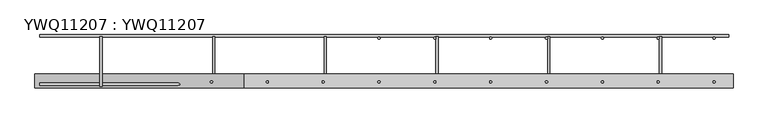
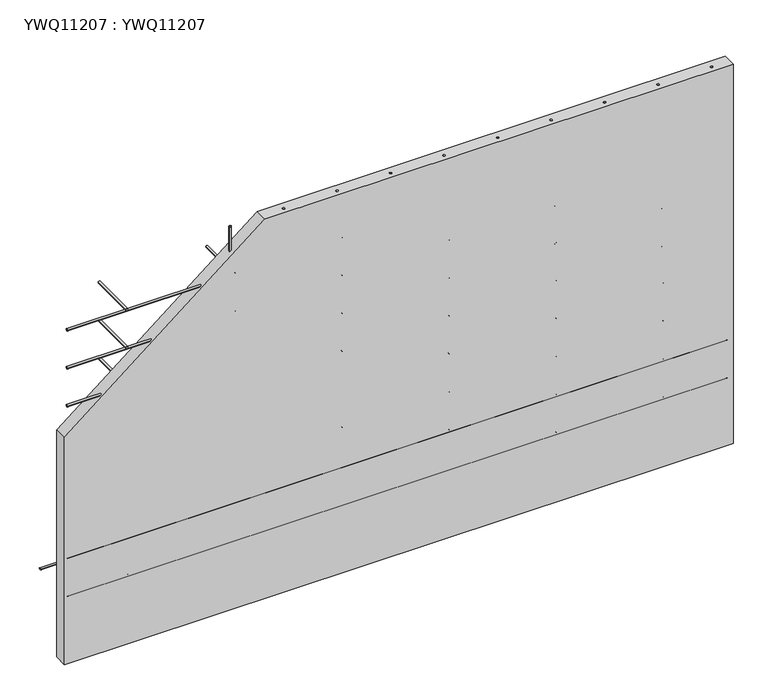
"""IFC4 building model written with IfcOpenShell, lengths in millimetres: proxy geometry, YWQ11207 : YWQ11207."""

from ifc_helpers import new_model, si_unit, point, frame, frame_2d, origin, place, context, project, spatial, polyline, circle_curve, trimmed, segment, composite_curve, outline, extrude, source, transform, mapped, element, save


def ywq11207_ywq11207_15e110d3(model_context):
    return source(origin(), model_context, "Body", "SweptSolid", [
        extrude(outline(composite_curve([segment(trimmed(circle_curve(frame_2d((1232.0, -21.340625)), 4.0), [point((1228.0, -21.340625))], [point((1236.0, -21.340625))], False, "CARTESIAN"), True, "CONTINUOUS"), segment(trimmed(circle_curve(frame_2d((1232.0, -21.340625)), 4.0), [point((1236.0, -21.340625))], [point((1228.0, -21.340625))], False, "CARTESIAN"), True, "CONTINUOUS")], self_intersect=False)), frame((0.0, 0.0, -185.0), z_axis=(0.0, 0.0, 1.0), x_axis=(1.0, 0.0, 0.0)), (0.0, 0.0, 1.0), 1370.0),
        extrude(outline(composite_curve([segment(trimmed(circle_curve(frame_2d((1432.0, -21.340625)), 4.0), [point((1428.0, -21.340625))], [point((1436.0, -21.340625))], False, "CARTESIAN"), True, "CONTINUOUS"), segment(trimmed(circle_curve(frame_2d((1432.0, -21.340625)), 4.0), [point((1436.0, -21.340625))], [point((1428.0, -21.340625))], False, "CARTESIAN"), True, "CONTINUOUS")], self_intersect=False)), frame((0.0, 0.0, -185.0), z_axis=(0.0, 0.0, 1.0), x_axis=(1.0, 0.0, 0.0)), (0.0, 0.0, 1.0), 1370.0),
        extrude(outline(composite_curve([segment(trimmed(circle_curve(frame_2d((1632.0, -21.340625)), 4.0), [point((1628.0, -21.340625))], [point((1636.0, -21.340625))], False, "CARTESIAN"), True, "CONTINUOUS"), segment(trimmed(circle_curve(frame_2d((1632.0, -21.340625)), 4.0), [point((1636.0, -21.340625))], [point((1628.0, -21.340625))], False, "CARTESIAN"), True, "CONTINUOUS")], self_intersect=False)), frame((0.0, 0.0, 3.9331136), z_axis=(0.0, 0.0, 1.0), x_axis=(1.0, 0.0, 0.0)), (0.0, 0.0, 1.0), 1181.0668864),
        extrude(outline(composite_curve([segment(trimmed(circle_curve(frame_2d((1832.0, -21.340625)), 4.0), [point((1828.0, -21.340625))], [point((1836.0, -21.340625))], False, "CARTESIAN"), True, "CONTINUOUS"), segment(trimmed(circle_curve(frame_2d((1832.0, -21.340625)), 4.0), [point((1836.0, -21.340625))], [point((1828.0, -21.340625))], False, "CARTESIAN"), True, "CONTINUOUS")], self_intersect=False)), frame((0.0, 0.0, 52.6677107), z_axis=(0.0, 0.0, 1.0), x_axis=(1.0, 0.0, 0.0)), (0.0, 0.0, 1.0), 1132.3322893),
        extrude(outline(composite_curve([segment(trimmed(circle_curve(frame_2d((2032.0, -21.340625)), 4.0), [point((2028.0, -21.340625))], [point((2036.0, -21.340625))], False, "CARTESIAN"), True, "CONTINUOUS"), segment(trimmed(circle_curve(frame_2d((2032.0, -21.340625)), 4.0), [point((2036.0, -21.340625))], [point((2028.0, -21.340625))], False, "CARTESIAN"), True, "CONTINUOUS")], self_intersect=False)), frame((0.0, 0.0, -185.0), z_axis=(0.0, 0.0, 1.0), x_axis=(1.0, 0.0, 0.0)), (0.0, 0.0, 1.0), 1370.0),
        extrude(outline(composite_curve([segment(trimmed(circle_curve(frame_2d((2232.0, -21.340625)), 4.0), [point((2228.0, -21.340625))], [point((2236.0, -21.340625))], False, "CARTESIAN"), True, "CONTINUOUS"), segment(trimmed(circle_curve(frame_2d((2232.0, -21.340625)), 4.0), [point((2236.0, -21.340625))], [point((2228.0, -21.340625))], False, "CARTESIAN"), True, "CONTINUOUS")], self_intersect=False)), frame((0.0, 0.0, -185.0), z_axis=(0.0, 0.0, 1.0), x_axis=(1.0, 0.0, 0.0)), (0.0, 0.0, 1.0), 1370.0),
        extrude(outline(composite_curve([segment(trimmed(circle_curve(frame_2d((2432.0, -21.340625)), 4.0), [point((2428.0, -21.340625))], [point((2436.0, -21.340625))], False, "CARTESIAN"), True, "CONTINUOUS"), segment(trimmed(circle_curve(frame_2d((2432.0, -21.340625)), 4.0), [point((2436.0, -21.340625))], [point((2428.0, -21.340625))], False, "CARTESIAN"), True, "CONTINUOUS")], self_intersect=False)), frame((0.0, 0.0, -185.0), z_axis=(0.0, 0.0, 1.0), x_axis=(1.0, 0.0, 0.0)), (0.0, 0.0, 1.0), 1370.0),
        extrude(outline(composite_curve([segment(trimmed(circle_curve(frame_2d((-13.3180289, 75.0)), 4.0), [point((-9.3180289, 75.0))], [point((-17.3180289, 75.0))], False, "CARTESIAN"), True, "CONTINUOUS"), segment(trimmed(circle_curve(frame_2d((-13.3180289, 75.0)), 4.0), [point((-17.3180289, 75.0))], [point((-9.3180289, 75.0))], False, "CARTESIAN"), True, "CONTINUOUS")], self_intersect=False)), frame((17.095785, 0.0, 0.0), z_axis=(1.0, 0.0, 0.0), x_axis=(0.0, 1.0, 0.0)), (0.0, 0.0, 1.0), 2467.904215),
        extrude(outline(composite_curve([segment(trimmed(circle_curve(frame_2d((1133.0436511, 236.993039)), 4.0), [point((1133.0436511, 232.993039))], [point((1133.0436511, 240.993039))], False, "CARTESIAN"), True, "CONTINUOUS"), segment(trimmed(circle_curve(frame_2d((1133.0436511, 236.993039)), 4.0), [point((1133.0436511, 240.993039))], [point((1133.0436511, 232.993039))], False, "CARTESIAN"), True, "CONTINUOUS")], self_intersect=False)), frame((0.0, -194.0716324, 0.0), z_axis=(0.0, 1.0, 0.0), x_axis=(0.0, 0.0, 1.0)), (0.0, 0.0, 1.0), 178.7626126),
        extrude(outline(composite_curve([segment(trimmed(circle_curve(frame_2d((1133.0436511, 639.993039)), 4.0), [point((1133.0436511, 635.993039))], [point((1133.0436511, 643.993039))], False, "CARTESIAN"), True, "CONTINUOUS"), segment(trimmed(circle_curve(frame_2d((1133.0436511, 639.993039)), 4.0), [point((1133.0436511, 643.993039))], [point((1133.0436511, 635.993039))], False, "CARTESIAN"), True, "CONTINUOUS")], self_intersect=False)), frame((0.0, -194.0716324, 0.0), z_axis=(0.0, 1.0, 0.0), x_axis=(0.0, 0.0, 1.0)), (0.0, 0.0, 1.0), 178.7626126),
        extrude(outline(composite_curve([segment(trimmed(circle_curve(frame_2d((1133.0436511, 1039.993039)), 4.0), [point((1133.0436511, 1035.993039))], [point((1133.0436511, 1043.993039))], False, "CARTESIAN"), True, "CONTINUOUS"), segment(trimmed(circle_curve(frame_2d((1133.0436511, 1039.993039)), 4.0), [point((1133.0436511, 1043.993039))], [point((1133.0436511, 1035.993039))], False, "CARTESIAN"), True, "CONTINUOUS")], self_intersect=False)), frame((0.0, -194.0716324, 0.0), z_axis=(0.0, 1.0, 0.0), x_axis=(0.0, 0.0, 1.0)), (0.0, 0.0, 1.0), 178.7626126),
        extrude(outline(composite_curve([segment(trimmed(circle_curve(frame_2d((1133.0436511, 1439.993039)), 4.0), [point((1133.0436511, 1435.993039))], [point((1133.0436511, 1443.993039))], False, "CARTESIAN"), True, "CONTINUOUS"), segment(trimmed(circle_curve(frame_2d((1133.0436511, 1439.993039)), 4.0), [point((1133.0436511, 1443.993039))], [point((1133.0436511, 1435.993039))], False, "CARTESIAN"), True, "CONTINUOUS")], self_intersect=False)), frame((0.0, -194.0716324, 0.0), z_axis=(0.0, 1.0, 0.0), x_axis=(0.0, 0.0, 1.0)), (0.0, 0.0, 1.0), 178.7626126),
        extrude(outline(composite_curve([segment(trimmed(circle_curve(frame_2d((1133.0436511, 1839.993039)), 4.0), [point((1133.0436511, 1835.993039))], [point((1133.0436511, 1843.993039))], False, "CARTESIAN"), True, "CONTINUOUS"), segment(trimmed(circle_curve(frame_2d((1133.0436511, 1839.993039)), 4.0), [point((1133.0436511, 1843.993039))], [point((1133.0436511, 1835.993039))], False, "CARTESIAN"), True, "CONTINUOUS")], self_intersect=False)), frame((0.0, -194.0716324, 0.0), z_axis=(0.0, 1.0, 0.0), x_axis=(0.0, 0.0, 1.0)), (0.0, 0.0, 1.0), 178.7626126),
        extrude(outline(composite_curve([segment(trimmed(circle_curve(frame_2d((1133.0436511, 2239.993039)), 4.0), [point((1133.0436511, 2235.993039))], [point((1133.0436511, 2243.993039))], False, "CARTESIAN"), True, "CONTINUOUS"), segment(trimmed(circle_curve(frame_2d((1133.0436511, 2239.993039)), 4.0), [point((1133.0436511, 2243.993039))], [point((1133.0436511, 2235.993039))], False, "CARTESIAN"), True, "CONTINUOUS")], self_intersect=False)), frame((0.0, -194.0716324, 0.0), z_axis=(0.0, 1.0, 0.0), x_axis=(0.0, 0.0, 1.0)), (0.0, 0.0, 1.0), 178.7626126),
        extrude(outline(composite_curve([segment(trimmed(circle_curve(frame_2d((-186.6819711, 1125.0)), 4.0), [point((-190.6819711, 1125.0))], [point((-182.6819711, 1125.0))], False, "CARTESIAN"), True, "CONTINUOUS"), segment(trimmed(circle_curve(frame_2d((-186.6819711, 1125.0)), 4.0), [point((-182.6819711, 1125.0))], [point((-190.6819711, 1125.0))], False, "CARTESIAN"), True, "CONTINUOUS")], self_intersect=False)), frame((17.095785, 0.0, 0.0), z_axis=(1.0, 0.0, 0.0), x_axis=(0.0, 1.0, 0.0)), (0.0, 0.0, 1.0), 2467.904215),
        extrude(outline(composite_curve([segment(trimmed(circle_curve(frame_2d((983.0436511, 236.993039)), 4.0), [point((983.0436511, 232.993039))], [point((983.0436511, 240.993039))], False, "CARTESIAN"), True, "CONTINUOUS"), segment(trimmed(circle_curve(frame_2d((983.0436511, 236.993039)), 4.0), [point((983.0436511, 240.993039))], [point((983.0436511, 232.993039))], False, "CARTESIAN"), True, "CONTINUOUS")], self_intersect=False)), frame((0.0, -194.0716324, 0.0), z_axis=(0.0, 1.0, 0.0), x_axis=(0.0, 0.0, 1.0)), (0.0, 0.0, 1.0), 178.7626126),
        extrude(outline(composite_curve([segment(trimmed(circle_curve(frame_2d((983.0436511, 639.993039)), 4.0), [point((983.0436511, 635.993039))], [point((983.0436511, 643.993039))], False, "CARTESIAN"), True, "CONTINUOUS"), segment(trimmed(circle_curve(frame_2d((983.0436511, 639.993039)), 4.0), [point((983.0436511, 643.993039))], [point((983.0436511, 635.993039))], False, "CARTESIAN"), True, "CONTINUOUS")], self_intersect=False)), frame((0.0, -194.0716324, 0.0), z_axis=(0.0, 1.0, 0.0), x_axis=(0.0, 0.0, 1.0)), (0.0, 0.0, 1.0), 178.7626126),
        extrude(outline(composite_curve([segment(trimmed(circle_curve(frame_2d((983.0436511, 1039.993039)), 4.0), [point((983.0436511, 1035.993039))], [point((983.0436511, 1043.993039))], False, "CARTESIAN"), True, "CONTINUOUS"), segment(trimmed(circle_curve(frame_2d((983.0436511, 1039.993039)), 4.0), [point((983.0436511, 1043.993039))], [point((983.0436511, 1035.993039))], False, "CARTESIAN"), True, "CONTINUOUS")], self_intersect=False)), frame((0.0, -194.0716324, 0.0), z_axis=(0.0, 1.0, 0.0), x_axis=(0.0, 0.0, 1.0)), (0.0, 0.0, 1.0), 178.7626126),
        extrude(outline(composite_curve([segment(trimmed(circle_curve(frame_2d((983.0436511, 1439.993039)), 4.0), [point((983.0436511, 1435.993039))], [point((983.0436511, 1443.993039))], False, "CARTESIAN"), True, "CONTINUOUS"), segment(trimmed(circle_curve(frame_2d((983.0436511, 1439.993039)), 4.0), [point((983.0436511, 1443.993039))], [point((983.0436511, 1435.993039))], False, "CARTESIAN"), True, "CONTINUOUS")], self_intersect=False)), frame((0.0, -194.0716324, 0.0), z_axis=(0.0, 1.0, 0.0), x_axis=(0.0, 0.0, 1.0)), (0.0, 0.0, 1.0), 178.7626126),
        extrude(outline(composite_curve([segment(trimmed(circle_curve(frame_2d((983.0436511, 1839.993039)), 4.0), [point((983.0436511, 1835.993039))], [point((983.0436511, 1843.993039))], False, "CARTESIAN"), True, "CONTINUOUS"), segment(trimmed(circle_curve(frame_2d((983.0436511, 1839.993039)), 4.0), [point((983.0436511, 1843.993039))], [point((983.0436511, 1835.993039))], False, "CARTESIAN"), True, "CONTINUOUS")], self_intersect=False)), frame((0.0, -194.0716324, 0.0), z_axis=(0.0, 1.0, 0.0), x_axis=(0.0, 0.0, 1.0)), (0.0, 0.0, 1.0), 178.7626126),
        extrude(outline(composite_curve([segment(trimmed(circle_curve(frame_2d((983.0436511, 2239.993039)), 4.0), [point((983.0436511, 2235.993039))], [point((983.0436511, 2243.993039))], False, "CARTESIAN"), True, "CONTINUOUS"), segment(trimmed(circle_curve(frame_2d((983.0436511, 2239.993039)), 4.0), [point((983.0436511, 2243.993039))], [point((983.0436511, 2235.993039))], False, "CARTESIAN"), True, "CONTINUOUS")], self_intersect=False)), frame((0.0, -194.0716324, 0.0), z_axis=(0.0, 1.0, 0.0), x_axis=(0.0, 0.0, 1.0)), (0.0, 0.0, 1.0), 178.7626126),
        extrude(outline(composite_curve([segment(trimmed(circle_curve(frame_2d((-186.6819711, 975.0)), 4.0), [point((-190.6819711, 975.0))], [point((-182.6819711, 975.0))], False, "CARTESIAN"), True, "CONTINUOUS"), segment(trimmed(circle_curve(frame_2d((-186.6819711, 975.0)), 4.0), [point((-182.6819711, 975.0))], [point((-190.6819711, 975.0))], False, "CARTESIAN"), True, "CONTINUOUS")], self_intersect=False)), frame((17.095785, 0.0, 0.0), z_axis=(1.0, 0.0, 0.0), x_axis=(0.0, 1.0, 0.0)), (0.0, 0.0, 1.0), 2467.904215),
        extrude(outline(composite_curve([segment(trimmed(circle_curve(frame_2d((833.0436511, 236.993039)), 4.0), [point((833.0436511, 232.993039))], [point((833.0436511, 240.993039))], False, "CARTESIAN"), True, "CONTINUOUS"), segment(trimmed(circle_curve(frame_2d((833.0436511, 236.993039)), 4.0), [point((833.0436511, 240.993039))], [point((833.0436511, 232.993039))], False, "CARTESIAN"), True, "CONTINUOUS")], self_intersect=False)), frame((0.0, -194.0716324, 0.0), z_axis=(0.0, 1.0, 0.0), x_axis=(0.0, 0.0, 1.0)), (0.0, 0.0, 1.0), 178.7626126),
        extrude(outline(composite_curve([segment(trimmed(circle_curve(frame_2d((833.0436511, 639.993039)), 4.0), [point((833.0436511, 635.993039))], [point((833.0436511, 643.993039))], False, "CARTESIAN"), True, "CONTINUOUS"), segment(trimmed(circle_curve(frame_2d((833.0436511, 639.993039)), 4.0), [point((833.0436511, 643.993039))], [point((833.0436511, 635.993039))], False, "CARTESIAN"), True, "CONTINUOUS")], self_intersect=False)), frame((0.0, -194.0716324, 0.0), z_axis=(0.0, 1.0, 0.0), x_axis=(0.0, 0.0, 1.0)), (0.0, 0.0, 1.0), 178.7626126),
        extrude(outline(composite_curve([segment(trimmed(circle_curve(frame_2d((833.0436511, 1039.993039)), 4.0), [point((833.0436511, 1035.993039))], [point((833.0436511, 1043.993039))], False, "CARTESIAN"), True, "CONTINUOUS"), segment(trimmed(circle_curve(frame_2d((833.0436511, 1039.993039)), 4.0), [point((833.0436511, 1043.993039))], [point((833.0436511, 1035.993039))], False, "CARTESIAN"), True, "CONTINUOUS")], self_intersect=False)), frame((0.0, -194.0716324, 0.0), z_axis=(0.0, 1.0, 0.0), x_axis=(0.0, 0.0, 1.0)), (0.0, 0.0, 1.0), 178.7626126),
        extrude(outline(composite_curve([segment(trimmed(circle_curve(frame_2d((833.0436511, 1439.993039)), 4.0), [point((833.0436511, 1435.993039))], [point((833.0436511, 1443.993039))], False, "CARTESIAN"), True, "CONTINUOUS"), segment(trimmed(circle_curve(frame_2d((833.0436511, 1439.993039)), 4.0), [point((833.0436511, 1443.993039))], [point((833.0436511, 1435.993039))], False, "CARTESIAN"), True, "CONTINUOUS")], self_intersect=False)), frame((0.0, -194.0716324, 0.0), z_axis=(0.0, 1.0, 0.0), x_axis=(0.0, 0.0, 1.0)), (0.0, 0.0, 1.0), 178.7626126),
        extrude(outline(composite_curve([segment(trimmed(circle_curve(frame_2d((833.0436511, 1839.993039)), 4.0), [point((833.0436511, 1835.993039))], [point((833.0436511, 1843.993039))], False, "CARTESIAN"), True, "CONTINUOUS"), segment(trimmed(circle_curve(frame_2d((833.0436511, 1839.993039)), 4.0), [point((833.0436511, 1843.993039))], [point((833.0436511, 1835.993039))], False, "CARTESIAN"), True, "CONTINUOUS")], self_intersect=False)), frame((0.0, -194.0716324, 0.0), z_axis=(0.0, 1.0, 0.0), x_axis=(0.0, 0.0, 1.0)), (0.0, 0.0, 1.0), 178.7626126),
        extrude(outline(composite_curve([segment(trimmed(circle_curve(frame_2d((833.0436511, 2239.993039)), 4.0), [point((833.0436511, 2235.993039))], [point((833.0436511, 2243.993039))], False, "CARTESIAN"), True, "CONTINUOUS"), segment(trimmed(circle_curve(frame_2d((833.0436511, 2239.993039)), 4.0), [point((833.0436511, 2243.993039))], [point((833.0436511, 2235.993039))], False, "CARTESIAN"), True, "CONTINUOUS")], self_intersect=False)), frame((0.0, -194.0716324, 0.0), z_axis=(0.0, 1.0, 0.0), x_axis=(0.0, 0.0, 1.0)), (0.0, 0.0, 1.0), 178.7626126),
        extrude(outline(composite_curve([segment(trimmed(circle_curve(frame_2d((-186.6819711, 825.0)), 4.0), [point((-190.6819711, 825.0))], [point((-182.6819711, 825.0))], False, "CARTESIAN"), True, "CONTINUOUS"), segment(trimmed(circle_curve(frame_2d((-186.6819711, 825.0)), 4.0), [point((-182.6819711, 825.0))], [point((-190.6819711, 825.0))], False, "CARTESIAN"), True, "CONTINUOUS")], self_intersect=False)), frame((17.095785, 0.0, 0.0), z_axis=(1.0, 0.0, 0.0), x_axis=(0.0, 1.0, 0.0)), (0.0, 0.0, 1.0), 2467.904215),
        extrude(outline(composite_curve([segment(trimmed(circle_curve(frame_2d((683.0436511, 236.993039)), 4.0), [point((683.0436511, 232.993039))], [point((683.0436511, 240.993039))], False, "CARTESIAN"), True, "CONTINUOUS"), segment(trimmed(circle_curve(frame_2d((683.0436511, 236.993039)), 4.0), [point((683.0436511, 240.993039))], [point((683.0436511, 232.993039))], False, "CARTESIAN"), True, "CONTINUOUS")], self_intersect=False)), frame((0.0, -194.0716324, 0.0), z_axis=(0.0, 1.0, 0.0), x_axis=(0.0, 0.0, 1.0)), (0.0, 0.0, 1.0), 178.7626126),
        extrude(outline(composite_curve([segment(trimmed(circle_curve(frame_2d((683.0436511, 639.993039)), 4.0), [point((683.0436511, 635.993039))], [point((683.0436511, 643.993039))], False, "CARTESIAN"), True, "CONTINUOUS"), segment(trimmed(circle_curve(frame_2d((683.0436511, 639.993039)), 4.0), [point((683.0436511, 643.993039))], [point((683.0436511, 635.993039))], False, "CARTESIAN"), True, "CONTINUOUS")], self_intersect=False)), frame((0.0, -194.0716324, 0.0), z_axis=(0.0, 1.0, 0.0), x_axis=(0.0, 0.0, 1.0)), (0.0, 0.0, 1.0), 178.7626126),
        extrude(outline(composite_curve([segment(trimmed(circle_curve(frame_2d((683.0436511, 1039.993039)), 4.0), [point((683.0436511, 1035.993039))], [point((683.0436511, 1043.993039))], False, "CARTESIAN"), True, "CONTINUOUS"), segment(trimmed(circle_curve(frame_2d((683.0436511, 1039.993039)), 4.0), [point((683.0436511, 1043.993039))], [point((683.0436511, 1035.993039))], False, "CARTESIAN"), True, "CONTINUOUS")], self_intersect=False)), frame((0.0, -194.0716324, 0.0), z_axis=(0.0, 1.0, 0.0), x_axis=(0.0, 0.0, 1.0)), (0.0, 0.0, 1.0), 178.7626126),
        extrude(outline(composite_curve([segment(trimmed(circle_curve(frame_2d((683.0436511, 1439.993039)), 4.0), [point((683.0436511, 1435.993039))], [point((683.0436511, 1443.993039))], False, "CARTESIAN"), True, "CONTINUOUS"), segment(trimmed(circle_curve(frame_2d((683.0436511, 1439.993039)), 4.0), [point((683.0436511, 1443.993039))], [point((683.0436511, 1435.993039))], False, "CARTESIAN"), True, "CONTINUOUS")], self_intersect=False)), frame((0.0, -194.0716324, 0.0), z_axis=(0.0, 1.0, 0.0), x_axis=(0.0, 0.0, 1.0)), (0.0, 0.0, 1.0), 178.7626126),
        extrude(outline(composite_curve([segment(trimmed(circle_curve(frame_2d((683.0436511, 1839.993039)), 4.0), [point((683.0436511, 1835.993039))], [point((683.0436511, 1843.993039))], False, "CARTESIAN"), True, "CONTINUOUS"), segment(trimmed(circle_curve(frame_2d((683.0436511, 1839.993039)), 4.0), [point((683.0436511, 1843.993039))], [point((683.0436511, 1835.993039))], False, "CARTESIAN"), True, "CONTINUOUS")], self_intersect=False)), frame((0.0, -194.0716324, 0.0), z_axis=(0.0, 1.0, 0.0), x_axis=(0.0, 0.0, 1.0)), (0.0, 0.0, 1.0), 178.7626126),
        extrude(outline(composite_curve([segment(trimmed(circle_curve(frame_2d((683.0436511, 2239.993039)), 4.0), [point((683.0436511, 2235.993039))], [point((683.0436511, 2243.993039))], False, "CARTESIAN"), True, "CONTINUOUS"), segment(trimmed(circle_curve(frame_2d((683.0436511, 2239.993039)), 4.0), [point((683.0436511, 2243.993039))], [point((683.0436511, 2235.993039))], False, "CARTESIAN"), True, "CONTINUOUS")], self_intersect=False)), frame((0.0, -194.0716324, 0.0), z_axis=(0.0, 1.0, 0.0), x_axis=(0.0, 0.0, 1.0)), (0.0, 0.0, 1.0), 178.7626126),
        extrude(outline(composite_curve([segment(trimmed(circle_curve(frame_2d((-186.6819711, 675.0)), 4.0), [point((-190.6819711, 675.0))], [point((-182.6819711, 675.0))], False, "CARTESIAN"), True, "CONTINUOUS"), segment(trimmed(circle_curve(frame_2d((-186.6819711, 675.0)), 4.0), [point((-182.6819711, 675.0))], [point((-190.6819711, 675.0))], False, "CARTESIAN"), True, "CONTINUOUS")], self_intersect=False)), frame((17.095785, 0.0, 0.0), z_axis=(1.0, 0.0, 0.0), x_axis=(0.0, 1.0, 0.0)), (0.0, 0.0, 1.0), 2467.904215),
        extrude(outline(composite_curve([segment(trimmed(circle_curve(frame_2d((533.0436511, 236.993039)), 4.0), [point((533.0436511, 232.993039))], [point((533.0436511, 240.993039))], False, "CARTESIAN"), True, "CONTINUOUS"), segment(trimmed(circle_curve(frame_2d((533.0436511, 236.993039)), 4.0), [point((533.0436511, 240.993039))], [point((533.0436511, 232.993039))], False, "CARTESIAN"), True, "CONTINUOUS")], self_intersect=False)), frame((0.0, -194.0716324, 0.0), z_axis=(0.0, 1.0, 0.0), x_axis=(0.0, 0.0, 1.0)), (0.0, 0.0, 1.0), 178.7626126),
        extrude(outline(composite_curve([segment(trimmed(circle_curve(frame_2d((533.0436511, 639.993039)), 4.0), [point((533.0436511, 635.993039))], [point((533.0436511, 643.993039))], False, "CARTESIAN"), True, "CONTINUOUS"), segment(trimmed(circle_curve(frame_2d((533.0436511, 639.993039)), 4.0), [point((533.0436511, 643.993039))], [point((533.0436511, 635.993039))], False, "CARTESIAN"), True, "CONTINUOUS")], self_intersect=False)), frame((0.0, -194.0716324, 0.0), z_axis=(0.0, 1.0, 0.0), x_axis=(0.0, 0.0, 1.0)), (0.0, 0.0, 1.0), 178.7626126),
        extrude(outline(composite_curve([segment(trimmed(circle_curve(frame_2d((533.0436511, 1039.993039)), 4.0), [point((533.0436511, 1035.993039))], [point((533.0436511, 1043.993039))], False, "CARTESIAN"), True, "CONTINUOUS"), segment(trimmed(circle_curve(frame_2d((533.0436511, 1039.993039)), 4.0), [point((533.0436511, 1043.993039))], [point((533.0436511, 1035.993039))], False, "CARTESIAN"), True, "CONTINUOUS")], self_intersect=False)), frame((0.0, -194.0716324, 0.0), z_axis=(0.0, 1.0, 0.0), x_axis=(0.0, 0.0, 1.0)), (0.0, 0.0, 1.0), 178.7626126),
        extrude(outline(composite_curve([segment(trimmed(circle_curve(frame_2d((533.0436511, 1439.993039)), 4.0), [point((533.0436511, 1435.993039))], [point((533.0436511, 1443.993039))], False, "CARTESIAN"), True, "CONTINUOUS"), segment(trimmed(circle_curve(frame_2d((533.0436511, 1439.993039)), 4.0), [point((533.0436511, 1443.993039))], [point((533.0436511, 1435.993039))], False, "CARTESIAN"), True, "CONTINUOUS")], self_intersect=False)), frame((0.0, -194.0716324, 0.0), z_axis=(0.0, 1.0, 0.0), x_axis=(0.0, 0.0, 1.0)), (0.0, 0.0, 1.0), 178.7626126),
        extrude(outline(composite_curve([segment(trimmed(circle_curve(frame_2d((533.0436511, 1839.993039)), 4.0), [point((533.0436511, 1835.993039))], [point((533.0436511, 1843.993039))], False, "CARTESIAN"), True, "CONTINUOUS"), segment(trimmed(circle_curve(frame_2d((533.0436511, 1839.993039)), 4.0), [point((533.0436511, 1843.993039))], [point((533.0436511, 1835.993039))], False, "CARTESIAN"), True, "CONTINUOUS")], self_intersect=False)), frame((0.0, -194.0716324, 0.0), z_axis=(0.0, 1.0, 0.0), x_axis=(0.0, 0.0, 1.0)), (0.0, 0.0, 1.0), 178.7626126),
        extrude(outline(composite_curve([segment(trimmed(circle_curve(frame_2d((533.0436511, 2239.993039)), 4.0), [point((533.0436511, 2235.993039))], [point((533.0436511, 2243.993039))], False, "CARTESIAN"), True, "CONTINUOUS"), segment(trimmed(circle_curve(frame_2d((533.0436511, 2239.993039)), 4.0), [point((533.0436511, 2243.993039))], [point((533.0436511, 2235.993039))], False, "CARTESIAN"), True, "CONTINUOUS")], self_intersect=False)), frame((0.0, -194.0716324, 0.0), z_axis=(0.0, 1.0, 0.0), x_axis=(0.0, 0.0, 1.0)), (0.0, 0.0, 1.0), 178.7626126),
        extrude(outline(composite_curve([segment(trimmed(circle_curve(frame_2d((-186.6819711, 525.0)), 4.0), [point((-190.6819711, 525.0))], [point((-182.6819711, 525.0))], False, "CARTESIAN"), True, "CONTINUOUS"), segment(trimmed(circle_curve(frame_2d((-186.6819711, 525.0)), 4.0), [point((-182.6819711, 525.0))], [point((-190.6819711, 525.0))], False, "CARTESIAN"), True, "CONTINUOUS")], self_intersect=False)), frame((17.095785, 0.0, 0.0), z_axis=(1.0, 0.0, 0.0), x_axis=(0.0, 1.0, 0.0)), (0.0, 0.0, 1.0), 2467.904215),
        extrude(outline(composite_curve([segment(trimmed(circle_curve(frame_2d((383.0436511, 236.993039)), 4.0), [point((383.0436511, 232.993039))], [point((383.0436511, 240.993039))], False, "CARTESIAN"), True, "CONTINUOUS"), segment(trimmed(circle_curve(frame_2d((383.0436511, 236.993039)), 4.0), [point((383.0436511, 240.993039))], [point((383.0436511, 232.993039))], False, "CARTESIAN"), True, "CONTINUOUS")], self_intersect=False)), frame((0.0, -194.0716324, 0.0), z_axis=(0.0, 1.0, 0.0), x_axis=(0.0, 0.0, 1.0)), (0.0, 0.0, 1.0), 178.7626126),
        extrude(outline(composite_curve([segment(trimmed(circle_curve(frame_2d((383.0436511, 639.993039)), 4.0), [point((383.0436511, 635.993039))], [point((383.0436511, 643.993039))], False, "CARTESIAN"), True, "CONTINUOUS"), segment(trimmed(circle_curve(frame_2d((383.0436511, 639.993039)), 4.0), [point((383.0436511, 643.993039))], [point((383.0436511, 635.993039))], False, "CARTESIAN"), True, "CONTINUOUS")], self_intersect=False)), frame((0.0, -194.0716324, 0.0), z_axis=(0.0, 1.0, 0.0), x_axis=(0.0, 0.0, 1.0)), (0.0, 0.0, 1.0), 178.7626126),
        extrude(outline(composite_curve([segment(trimmed(circle_curve(frame_2d((383.0436511, 1039.993039)), 4.0), [point((383.0436511, 1035.993039))], [point((383.0436511, 1043.993039))], False, "CARTESIAN"), True, "CONTINUOUS"), segment(trimmed(circle_curve(frame_2d((383.0436511, 1039.993039)), 4.0), [point((383.0436511, 1043.993039))], [point((383.0436511, 1035.993039))], False, "CARTESIAN"), True, "CONTINUOUS")], self_intersect=False)), frame((0.0, -194.0716324, 0.0), z_axis=(0.0, 1.0, 0.0), x_axis=(0.0, 0.0, 1.0)), (0.0, 0.0, 1.0), 178.7626126),
        extrude(outline(composite_curve([segment(trimmed(circle_curve(frame_2d((383.0436511, 1439.993039)), 4.0), [point((383.0436511, 1435.993039))], [point((383.0436511, 1443.993039))], False, "CARTESIAN"), True, "CONTINUOUS"), segment(trimmed(circle_curve(frame_2d((383.0436511, 1439.993039)), 4.0), [point((383.0436511, 1443.993039))], [point((383.0436511, 1435.993039))], False, "CARTESIAN"), True, "CONTINUOUS")], self_intersect=False)), frame((0.0, -194.0716324, 0.0), z_axis=(0.0, 1.0, 0.0), x_axis=(0.0, 0.0, 1.0)), (0.0, 0.0, 1.0), 178.7626126),
        extrude(outline(composite_curve([segment(trimmed(circle_curve(frame_2d((383.0436511, 1839.993039)), 4.0), [point((383.0436511, 1835.993039))], [point((383.0436511, 1843.993039))], False, "CARTESIAN"), True, "CONTINUOUS"), segment(trimmed(circle_curve(frame_2d((383.0436511, 1839.993039)), 4.0), [point((383.0436511, 1843.993039))], [point((383.0436511, 1835.993039))], False, "CARTESIAN"), True, "CONTINUOUS")], self_intersect=False)), frame((0.0, -194.0716324, 0.0), z_axis=(0.0, 1.0, 0.0), x_axis=(0.0, 0.0, 1.0)), (0.0, 0.0, 1.0), 178.7626126),
        extrude(outline(composite_curve([segment(trimmed(circle_curve(frame_2d((383.0436511, 2239.993039)), 4.0), [point((383.0436511, 2235.993039))], [point((383.0436511, 2243.993039))], False, "CARTESIAN"), True, "CONTINUOUS"), segment(trimmed(circle_curve(frame_2d((383.0436511, 2239.993039)), 4.0), [point((383.0436511, 2243.993039))], [point((383.0436511, 2235.993039))], False, "CARTESIAN"), True, "CONTINUOUS")], self_intersect=False)), frame((0.0, -194.0716324, 0.0), z_axis=(0.0, 1.0, 0.0), x_axis=(0.0, 0.0, 1.0)), (0.0, 0.0, 1.0), 178.7626126),
        extrude(outline(composite_curve([segment(trimmed(circle_curve(frame_2d((-186.6819711, 375.0)), 4.0), [point((-190.6819711, 375.0))], [point((-182.6819711, 375.0))], False, "CARTESIAN"), True, "CONTINUOUS"), segment(trimmed(circle_curve(frame_2d((-186.6819711, 375.0)), 4.0), [point((-182.6819711, 375.0))], [point((-190.6819711, 375.0))], False, "CARTESIAN"), True, "CONTINUOUS")], self_intersect=False)), frame((17.095785, 0.0, 0.0), z_axis=(1.0, 0.0, 0.0), x_axis=(0.0, 1.0, 0.0)), (0.0, 0.0, 1.0), 2467.904215),
        extrude(outline(composite_curve([segment(trimmed(circle_curve(frame_2d((233.0436511, 236.993039)), 4.0), [point((233.0436511, 232.993039))], [point((233.0436511, 240.993039))], False, "CARTESIAN"), True, "CONTINUOUS"), segment(trimmed(circle_curve(frame_2d((233.0436511, 236.993039)), 4.0), [point((233.0436511, 240.993039))], [point((233.0436511, 232.993039))], False, "CARTESIAN"), True, "CONTINUOUS")], self_intersect=False)), frame((0.0, -194.0716324, 0.0), z_axis=(0.0, 1.0, 0.0), x_axis=(0.0, 0.0, 1.0)), (0.0, 0.0, 1.0), 178.7626126),
        extrude(outline(composite_curve([segment(trimmed(circle_curve(frame_2d((233.0436511, 639.993039)), 4.0), [point((233.0436511, 635.993039))], [point((233.0436511, 643.993039))], False, "CARTESIAN"), True, "CONTINUOUS"), segment(trimmed(circle_curve(frame_2d((233.0436511, 639.993039)), 4.0), [point((233.0436511, 643.993039))], [point((233.0436511, 635.993039))], False, "CARTESIAN"), True, "CONTINUOUS")], self_intersect=False)), frame((0.0, -194.0716324, 0.0), z_axis=(0.0, 1.0, 0.0), x_axis=(0.0, 0.0, 1.0)), (0.0, 0.0, 1.0), 178.7626126),
        extrude(outline(composite_curve([segment(trimmed(circle_curve(frame_2d((233.0436511, 1039.993039)), 4.0), [point((233.0436511, 1035.993039))], [point((233.0436511, 1043.993039))], False, "CARTESIAN"), True, "CONTINUOUS"), segment(trimmed(circle_curve(frame_2d((233.0436511, 1039.993039)), 4.0), [point((233.0436511, 1043.993039))], [point((233.0436511, 1035.993039))], False, "CARTESIAN"), True, "CONTINUOUS")], self_intersect=False)), frame((0.0, -194.0716324, 0.0), z_axis=(0.0, 1.0, 0.0), x_axis=(0.0, 0.0, 1.0)), (0.0, 0.0, 1.0), 178.7626126),
        extrude(outline(composite_curve([segment(trimmed(circle_curve(frame_2d((233.0436511, 1439.993039)), 4.0), [point((233.0436511, 1435.993039))], [point((233.0436511, 1443.993039))], False, "CARTESIAN"), True, "CONTINUOUS"), segment(trimmed(circle_curve(frame_2d((233.0436511, 1439.993039)), 4.0), [point((233.0436511, 1443.993039))], [point((233.0436511, 1435.993039))], False, "CARTESIAN"), True, "CONTINUOUS")], self_intersect=False)), frame((0.0, -194.0716324, 0.0), z_axis=(0.0, 1.0, 0.0), x_axis=(0.0, 0.0, 1.0)), (0.0, 0.0, 1.0), 178.7626126),
        extrude(outline(composite_curve([segment(trimmed(circle_curve(frame_2d((233.0436511, 1839.993039)), 4.0), [point((233.0436511, 1835.993039))], [point((233.0436511, 1843.993039))], False, "CARTESIAN"), True, "CONTINUOUS"), segment(trimmed(circle_curve(frame_2d((233.0436511, 1839.993039)), 4.0), [point((233.0436511, 1843.993039))], [point((233.0436511, 1835.993039))], False, "CARTESIAN"), True, "CONTINUOUS")], self_intersect=False)), frame((0.0, -194.0716324, 0.0), z_axis=(0.0, 1.0, 0.0), x_axis=(0.0, 0.0, 1.0)), (0.0, 0.0, 1.0), 178.7626126),
        extrude(outline(composite_curve([segment(trimmed(circle_curve(frame_2d((233.0436511, 2239.993039)), 4.0), [point((233.0436511, 2235.993039))], [point((233.0436511, 2243.993039))], False, "CARTESIAN"), True, "CONTINUOUS"), segment(trimmed(circle_curve(frame_2d((233.0436511, 2239.993039)), 4.0), [point((233.0436511, 2243.993039))], [point((233.0436511, 2235.993039))], False, "CARTESIAN"), True, "CONTINUOUS")], self_intersect=False)), frame((0.0, -194.0716324, 0.0), z_axis=(0.0, 1.0, 0.0), x_axis=(0.0, 0.0, 1.0)), (0.0, 0.0, 1.0), 178.7626126),
        extrude(outline(composite_curve([segment(trimmed(circle_curve(frame_2d((-186.6819711, 225.0)), 4.0), [point((-190.6819711, 225.0))], [point((-182.6819711, 225.0))], False, "CARTESIAN"), True, "CONTINUOUS"), segment(trimmed(circle_curve(frame_2d((-186.6819711, 225.0)), 4.0), [point((-182.6819711, 225.0))], [point((-190.6819711, 225.0))], False, "CARTESIAN"), True, "CONTINUOUS")], self_intersect=False)), frame((17.095785, 0.0, 0.0), z_axis=(1.0, 0.0, 0.0), x_axis=(0.0, 1.0, 0.0)), (0.0, 0.0, 1.0), 2467.904215),
        extrude(outline(composite_curve([segment(trimmed(circle_curve(frame_2d((83.0436511, 236.993039)), 4.0), [point((83.0436511, 232.993039))], [point((83.0436511, 240.993039))], False, "CARTESIAN"), True, "CONTINUOUS"), segment(trimmed(circle_curve(frame_2d((83.0436511, 236.993039)), 4.0), [point((83.0436511, 240.993039))], [point((83.0436511, 232.993039))], False, "CARTESIAN"), True, "CONTINUOUS")], self_intersect=False)), frame((0.0, -194.0716324, 0.0), z_axis=(0.0, 1.0, 0.0), x_axis=(0.0, 0.0, 1.0)), (0.0, 0.0, 1.0), 178.7626126),
        extrude(outline(composite_curve([segment(trimmed(circle_curve(frame_2d((83.0436511, 639.993039)), 4.0), [point((83.0436511, 635.993039))], [point((83.0436511, 643.993039))], False, "CARTESIAN"), True, "CONTINUOUS"), segment(trimmed(circle_curve(frame_2d((83.0436511, 639.993039)), 4.0), [point((83.0436511, 643.993039))], [point((83.0436511, 635.993039))], False, "CARTESIAN"), True, "CONTINUOUS")], self_intersect=False)), frame((0.0, -194.0716324, 0.0), z_axis=(0.0, 1.0, 0.0), x_axis=(0.0, 0.0, 1.0)), (0.0, 0.0, 1.0), 178.7626126),
        extrude(outline(composite_curve([segment(trimmed(circle_curve(frame_2d((83.0436511, 1039.993039)), 4.0), [point((83.0436511, 1035.993039))], [point((83.0436511, 1043.993039))], False, "CARTESIAN"), True, "CONTINUOUS"), segment(trimmed(circle_curve(frame_2d((83.0436511, 1039.993039)), 4.0), [point((83.0436511, 1043.993039))], [point((83.0436511, 1035.993039))], False, "CARTESIAN"), True, "CONTINUOUS")], self_intersect=False)), frame((0.0, -194.0716324, 0.0), z_axis=(0.0, 1.0, 0.0), x_axis=(0.0, 0.0, 1.0)), (0.0, 0.0, 1.0), 178.7626126),
        extrude(outline(composite_curve([segment(trimmed(circle_curve(frame_2d((83.0436511, 1439.993039)), 4.0), [point((83.0436511, 1435.993039))], [point((83.0436511, 1443.993039))], False, "CARTESIAN"), True, "CONTINUOUS"), segment(trimmed(circle_curve(frame_2d((83.0436511, 1439.993039)), 4.0), [point((83.0436511, 1443.993039))], [point((83.0436511, 1435.993039))], False, "CARTESIAN"), True, "CONTINUOUS")], self_intersect=False)), frame((0.0, -194.0716324, 0.0), z_axis=(0.0, 1.0, 0.0), x_axis=(0.0, 0.0, 1.0)), (0.0, 0.0, 1.0), 178.7626126),
        extrude(outline(composite_curve([segment(trimmed(circle_curve(frame_2d((83.0436511, 1839.993039)), 4.0), [point((83.0436511, 1835.993039))], [point((83.0436511, 1843.993039))], False, "CARTESIAN"), True, "CONTINUOUS"), segment(trimmed(circle_curve(frame_2d((83.0436511, 1839.993039)), 4.0), [point((83.0436511, 1843.993039))], [point((83.0436511, 1835.993039))], False, "CARTESIAN"), True, "CONTINUOUS")], self_intersect=False)), frame((0.0, -194.0716324, 0.0), z_axis=(0.0, 1.0, 0.0), x_axis=(0.0, 0.0, 1.0)), (0.0, 0.0, 1.0), 178.7626126),
        extrude(outline(composite_curve([segment(trimmed(circle_curve(frame_2d((83.0436511, 2239.993039)), 4.0), [point((83.0436511, 2235.993039))], [point((83.0436511, 2243.993039))], False, "CARTESIAN"), True, "CONTINUOUS"), segment(trimmed(circle_curve(frame_2d((83.0436511, 2239.993039)), 4.0), [point((83.0436511, 2243.993039))], [point((83.0436511, 2235.993039))], False, "CARTESIAN"), True, "CONTINUOUS")], self_intersect=False)), frame((0.0, -194.0716324, 0.0), z_axis=(0.0, 1.0, 0.0), x_axis=(0.0, 0.0, 1.0)), (0.0, 0.0, 1.0), 178.7626126),
        extrude(outline(composite_curve([segment(trimmed(circle_curve(frame_2d((632.0, -178.659375)), 4.0), [point((628.0, -178.659375))], [point((636.0, -178.659375))], False, "CARTESIAN"), True, "CONTINUOUS"), segment(trimmed(circle_curve(frame_2d((632.0, -178.659375)), 4.0), [point((636.0, -178.659375))], [point((628.0, -178.659375))], False, "CARTESIAN"), True, "CONTINUOUS")], self_intersect=False)), frame((0.0, 0.0, -185.0), z_axis=(0.0, 0.0, 1.0), x_axis=(1.0, 0.0, 0.0)), (0.0, 0.0, 1.0), 1500.0),
        extrude(outline(composite_curve([segment(trimmed(circle_curve(frame_2d((832.0, -178.659375)), 4.0), [point((828.0, -178.659375))], [point((836.0, -178.659375))], False, "CARTESIAN"), True, "CONTINUOUS"), segment(trimmed(circle_curve(frame_2d((832.0, -178.659375)), 4.0), [point((836.0, -178.659375))], [point((828.0, -178.659375))], False, "CARTESIAN"), True, "CONTINUOUS")], self_intersect=False)), frame((0.0, 0.0, -185.0), z_axis=(0.0, 0.0, 1.0), x_axis=(1.0, 0.0, 0.0)), (0.0, 0.0, 1.0), 1500.0),
        extrude(outline(composite_curve([segment(trimmed(circle_curve(frame_2d((1032.0, -178.659375)), 4.0), [point((1028.0, -178.659375))], [point((1036.0, -178.659375))], False, "CARTESIAN"), True, "CONTINUOUS"), segment(trimmed(circle_curve(frame_2d((1032.0, -178.659375)), 4.0), [point((1036.0, -178.659375))], [point((1028.0, -178.659375))], False, "CARTESIAN"), True, "CONTINUOUS")], self_intersect=False)), frame((0.0, 0.0, -185.0), z_axis=(0.0, 0.0, 1.0), x_axis=(1.0, 0.0, 0.0)), (0.0, 0.0, 1.0), 1500.0),
        extrude(outline(composite_curve([segment(trimmed(circle_curve(frame_2d((1232.0, -178.659375)), 4.0), [point((1228.0, -178.659375))], [point((1236.0, -178.659375))], False, "CARTESIAN"), True, "CONTINUOUS"), segment(trimmed(circle_curve(frame_2d((1232.0, -178.659375)), 4.0), [point((1236.0, -178.659375))], [point((1228.0, -178.659375))], False, "CARTESIAN"), True, "CONTINUOUS")], self_intersect=False)), frame((0.0, 0.0, -185.0), z_axis=(0.0, 0.0, 1.0), x_axis=(1.0, 0.0, 0.0)), (0.0, 0.0, 1.0), 1500.0),
        extrude(outline(composite_curve([segment(trimmed(circle_curve(frame_2d((1432.0, -178.659375)), 4.0), [point((1428.0, -178.659375))], [point((1436.0, -178.659375))], False, "CARTESIAN"), True, "CONTINUOUS"), segment(trimmed(circle_curve(frame_2d((1432.0, -178.659375)), 4.0), [point((1436.0, -178.659375))], [point((1428.0, -178.659375))], False, "CARTESIAN"), True, "CONTINUOUS")], self_intersect=False)), frame((0.0, 0.0, -185.0), z_axis=(0.0, 0.0, 1.0), x_axis=(1.0, 0.0, 0.0)), (0.0, 0.0, 1.0), 1500.0),
        extrude(outline(composite_curve([segment(trimmed(circle_curve(frame_2d((1632.0, -178.659375)), 4.0), [point((1628.0, -178.659375))], [point((1636.0, -178.659375))], False, "CARTESIAN"), True, "CONTINUOUS"), segment(trimmed(circle_curve(frame_2d((1632.0, -178.659375)), 4.0), [point((1636.0, -178.659375))], [point((1628.0, -178.659375))], False, "CARTESIAN"), True, "CONTINUOUS")], self_intersect=False)), frame((0.0, 0.0, -185.0), z_axis=(0.0, 0.0, 1.0), x_axis=(1.0, 0.0, 0.0)), (0.0, 0.0, 1.0), 1500.0),
        extrude(outline(composite_curve([segment(trimmed(circle_curve(frame_2d((1832.0, -178.659375)), 4.0), [point((1828.0, -178.659375))], [point((1836.0, -178.659375))], False, "CARTESIAN"), True, "CONTINUOUS"), segment(trimmed(circle_curve(frame_2d((1832.0, -178.659375)), 4.0), [point((1836.0, -178.659375))], [point((1828.0, -178.659375))], False, "CARTESIAN"), True, "CONTINUOUS")], self_intersect=False)), frame((0.0, 0.0, -185.0), z_axis=(0.0, 0.0, 1.0), x_axis=(1.0, 0.0, 0.0)), (0.0, 0.0, 1.0), 1500.0),
        extrude(outline(composite_curve([segment(trimmed(circle_curve(frame_2d((2032.0, -178.659375)), 4.0), [point((2028.0, -178.659375))], [point((2036.0, -178.659375))], False, "CARTESIAN"), True, "CONTINUOUS"), segment(trimmed(circle_curve(frame_2d((2032.0, -178.659375)), 4.0), [point((2036.0, -178.659375))], [point((2028.0, -178.659375))], False, "CARTESIAN"), True, "CONTINUOUS")], self_intersect=False)), frame((0.0, 0.0, -185.0), z_axis=(0.0, 0.0, 1.0), x_axis=(1.0, 0.0, 0.0)), (0.0, 0.0, 1.0), 1500.0),
        extrude(outline(composite_curve([segment(trimmed(circle_curve(frame_2d((2232.0, -178.659375)), 4.0), [point((2228.0, -178.659375))], [point((2236.0, -178.659375))], False, "CARTESIAN"), True, "CONTINUOUS"), segment(trimmed(circle_curve(frame_2d((2232.0, -178.659375)), 4.0), [point((2236.0, -178.659375))], [point((2228.0, -178.659375))], False, "CARTESIAN"), True, "CONTINUOUS")], self_intersect=False)), frame((0.0, 0.0, -185.0), z_axis=(0.0, 0.0, 1.0), x_axis=(1.0, 0.0, 0.0)), (0.0, 0.0, 1.0), 1500.0),
        extrude(outline(composite_curve([segment(trimmed(circle_curve(frame_2d((2432.0, -178.659375)), 4.0), [point((2428.0, -178.659375))], [point((2436.0, -178.659375))], False, "CARTESIAN"), True, "CONTINUOUS"), segment(trimmed(circle_curve(frame_2d((2432.0, -178.659375)), 4.0), [point((2436.0, -178.659375))], [point((2428.0, -178.659375))], False, "CARTESIAN"), True, "CONTINUOUS")], self_intersect=False)), frame((0.0, 0.0, -185.0), z_axis=(0.0, 0.0, 1.0), x_axis=(1.0, 0.0, 0.0)), (0.0, 0.0, 1.0), 1500.0),
        extrude(outline(composite_curve([segment(trimmed(circle_curve(frame_2d((-186.6819711, 75.0)), 4.0), [point((-190.6819711, 75.0))], [point((-182.6819711, 75.0))], False, "CARTESIAN"), True, "CONTINUOUS"), segment(trimmed(circle_curve(frame_2d((-186.6819711, 75.0)), 4.0), [point((-182.6819711, 75.0))], [point((-190.6819711, 75.0))], False, "CARTESIAN"), True, "CONTINUOUS")], self_intersect=False)), frame((17.095785, 0.0, 0.0), z_axis=(1.0, 0.0, 0.0), x_axis=(0.0, 1.0, 0.0)), (0.0, 0.0, 1.0), 2467.904215),
        extrude(outline(polyline([(1315.0, 2500.0), (1315.0, 750.0), (712.8644813, 0.0), (-185.0, 0.0), (-185.0, 2500.0), (1315.0, 2500.0)])), frame((0.0, -200.0, 0.0), z_axis=(0.0, 1.0, 0.0), x_axis=(0.0, 0.0, 1.0)), (0.0, 0.0, 1.0), 50.0),
    ])


if __name__ == "__main__":
    model = new_model("IFC4")
    model_context = context("Model", 3, world=origin())
    ifc_project = project(units=[si_unit("LENGTHUNIT", "METRE", prefix="MILLI")], contexts=[model_context])
    site = spatial("IfcSite", under=ifc_project)
    building = spatial("IfcBuilding", under=site)
    placement = place(None, origin())
    ywq11207_ywq11207_shape = ywq11207_ywq11207_15e110d3(model_context)
    element("IfcBuildingElementProxy", 1, Name="YWQ11207 : YWQ11207", ObjectType="YWQ11207 : YWQ11207", at=placement, inside=building, context=model_context, shape_type="MappedRepresentation", body=[
        mapped(ywq11207_ywq11207_shape, transform((0.0, 0.0, 0.0), x_axis=(1.0, 0.0, 0.0), y_axis=(0.0, 1.0, 0.0), z_axis=(0.0, 0.0, 1.0))),
    ])
    save(model, "model.ifc")
